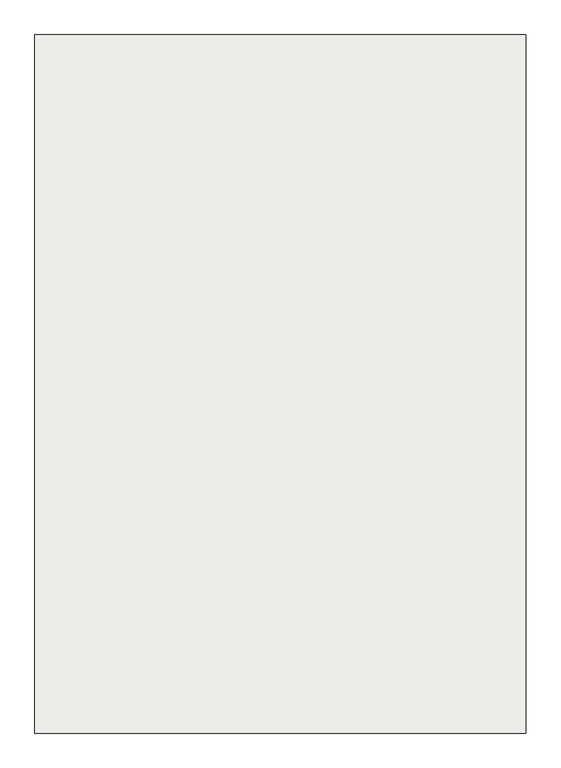
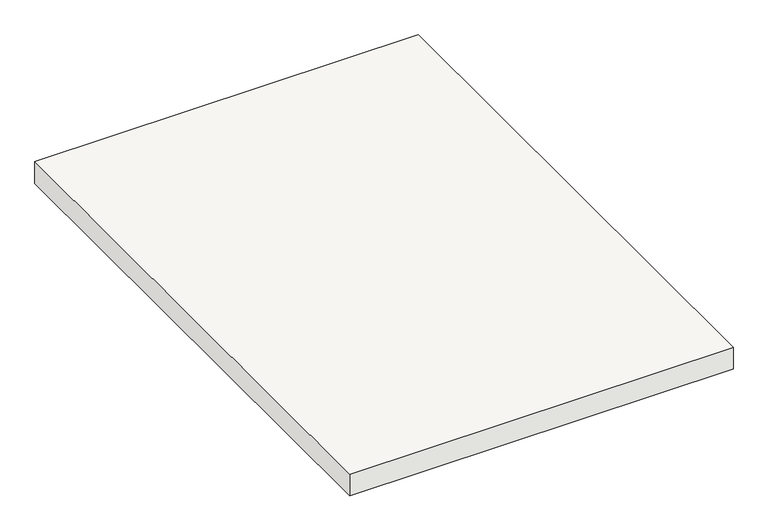
"""IFC4 building model written with IfcOpenShell, lengths in millimetres: slab geometry."""

from ifc_helpers import new_model, si_unit, frame, origin, place, context, project, spatial, polyline, outline, extrude, source, transform, mapped, element, save


def slab_68a09123(model_context):
    return source(origin(), model_context, "Body", "SweptSolid", [
        extrude(outline(polyline([(5834.1270411, 2339.2068086), (5834.1270411, 3519.2068086), (6664.1270411, 3519.2068086), (6664.1270411, 2339.2068086), (5834.1270411, 2339.2068086)])), frame((0.0, 0.0, 1810.0), z_axis=(0.0, 0.0, 1.0), x_axis=(1.0, 0.0, 0.0)), (0.0, 0.0, 1.0), 50.0),
    ])


if __name__ == "__main__":
    model = new_model("IFC4")
    model_context = context("Model", 3, world=origin())
    ifc_project = project(units=[si_unit("LENGTHUNIT", "METRE", prefix="MILLI")], contexts=[model_context])
    site = spatial("IfcSite", under=ifc_project)
    building = spatial("IfcBuilding", under=site)
    placement = place(None, origin())
    slab_shape = slab_68a09123(model_context)
    element("IfcSlab", 1, at=placement, inside=building, context=model_context, shape_type="MappedRepresentation", body=[
        mapped(slab_shape, transform((0.0, 0.0, 0.0), x_axis=(1.0, 0.0, 0.0), y_axis=(0.0, 1.0, 0.0), z_axis=(0.0, 0.0, 1.0))),
    ])
    save(model, "model.ifc")
